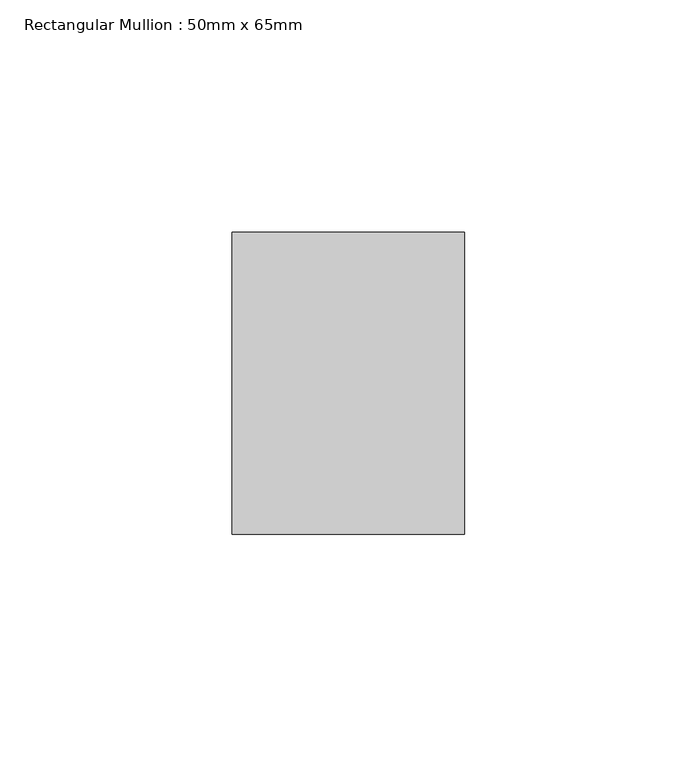
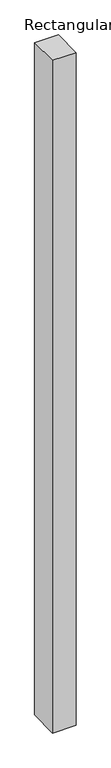
"""IFC4 building model written with IfcOpenShell, lengths in millimetres: member geometry, Rectangular Mullion : 50mm x 65mm."""

from ifc_helpers import new_model, si_unit, frame, origin, place, context, project, spatial, polyline, outline, extrude, source, transform, mapped, element, save


def rectangular_mullion_50mm_x_65mm_371f2ccf(model_context):
    return source(origin(), model_context, "Body", "SweptSolid", [
        extrude(outline(polyline([(-32.5, 0.0), (32.5, 0.0), (32.5, -1499.3970707), (-32.5, -1500.6015038), (-32.5, 0.0)])), frame((-25.0, 0.0, 0.0), z_axis=(1.0, 0.0, 0.0), x_axis=(0.0, 1.0, 0.0)), (0.0, 0.0, 1.0), 50.0),
    ])


if __name__ == "__main__":
    model = new_model("IFC4")
    model_context = context("Model", 3, world=origin())
    ifc_project = project(units=[si_unit("LENGTHUNIT", "METRE", prefix="MILLI")], contexts=[model_context])
    site = spatial("IfcSite", under=ifc_project)
    building = spatial("IfcBuilding", under=site)
    placement = place(None, origin())
    rectangular_mullion_50mm_x_65mm_shape = rectangular_mullion_50mm_x_65mm_371f2ccf(model_context)
    element("IfcMember", 1, ObjectType="Rectangular Mullion : 50mm x 65mm", at=placement, inside=building, context=model_context, shape_type="MappedRepresentation", body=[
        mapped(rectangular_mullion_50mm_x_65mm_shape, transform((0.0, 0.0, 0.0), x_axis=(1.0, 0.0, 0.0), y_axis=(0.0, 1.0, 0.0), z_axis=(0.0, 0.0, 1.0))),
    ])
    save(model, "model.ifc")
